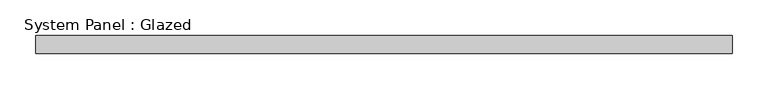
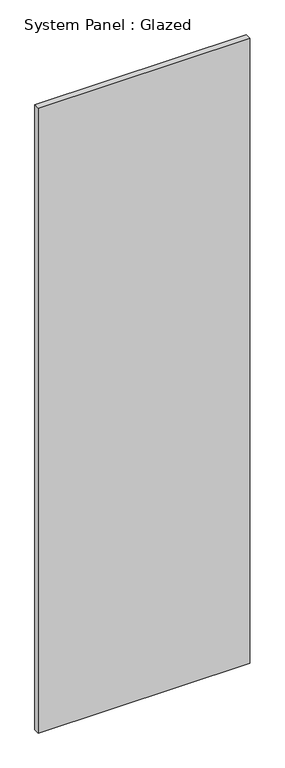
"""IFC4 building model written with IfcOpenShell, lengths in millimetres: plate geometry, System Panel : Glazed."""

from ifc_helpers import new_model, si_unit, origin, origin_with_axes, place, context, project, spatial, polyline, outline, extrude, source, transform, mapped, element, save


def system_panel_glazed_c02fb8ab(model_context):
    return source(origin(), model_context, "Body", "SweptSolid", [
        extrude(outline(polyline([(487.0152344, 19.05), (-487.0152344, 19.05), (-487.0152344, 44.45), (487.0152344, 44.45), (487.0152344, 19.05)])), origin_with_axes(), (0.0, 0.0, 1.0), 3041.65),
    ])


if __name__ == "__main__":
    model = new_model("IFC4")
    model_context = context("Model", 3, world=origin())
    ifc_project = project(units=[si_unit("LENGTHUNIT", "METRE", prefix="MILLI")], contexts=[model_context])
    site = spatial("IfcSite", under=ifc_project)
    building = spatial("IfcBuilding", under=site)
    placement = place(None, origin())
    system_panel_glazed_shape = system_panel_glazed_c02fb8ab(model_context)
    element("IfcPlate", 1, ObjectType="System Panel : Glazed", at=placement, inside=building, context=model_context, shape_type="MappedRepresentation", body=[
        mapped(system_panel_glazed_shape, transform((0.0, 0.0, 0.0), x_axis=(1.0, 0.0, 0.0), y_axis=(0.0, 1.0, 0.0), z_axis=(0.0, 0.0, 1.0))),
    ])
    save(model, "model.ifc")
